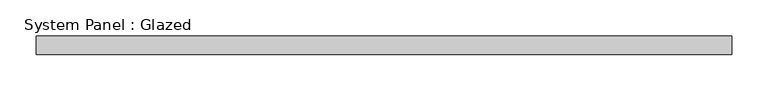
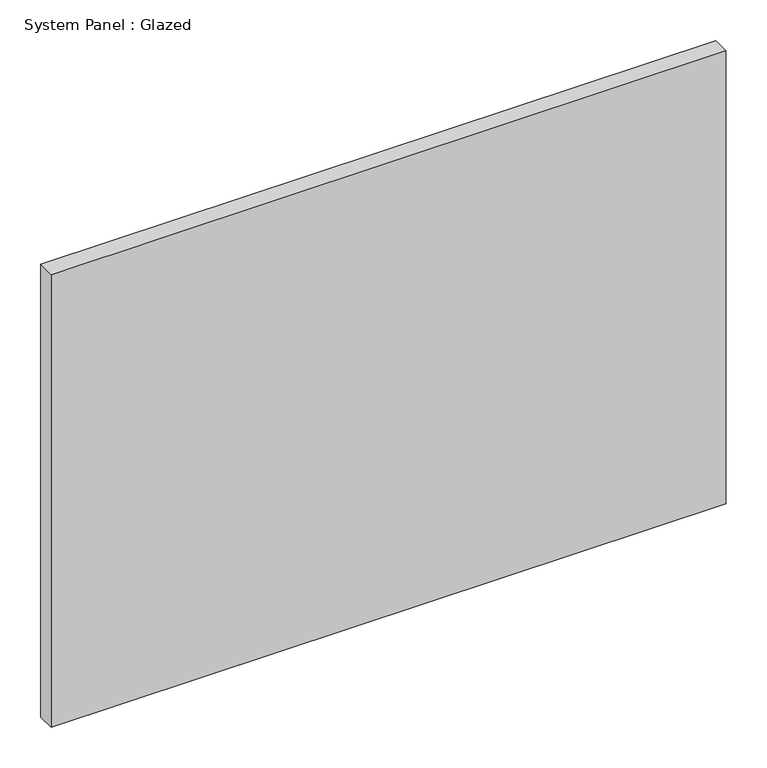
"""IFC4 building model written with IfcOpenShell, lengths in millimetres: plate geometry, System Panel : Glazed."""

from ifc_helpers import new_model, si_unit, origin, origin_with_axes, place, context, project, spatial, polyline, outline, extrude, source, transform, mapped, element, save


def system_panel_glazed_bb674316(model_context):
    return source(origin(), model_context, "Body", "SweptSolid", [
        extrude(outline(polyline([(479.425, -12.7), (-479.425, -12.7), (-479.425, 12.7), (479.425, 12.7), (479.425, -12.7)])), origin_with_axes(), (0.0, 0.0, 1.0), 679.45),
    ])


if __name__ == "__main__":
    model = new_model("IFC4")
    model_context = context("Model", 3, world=origin())
    ifc_project = project(units=[si_unit("LENGTHUNIT", "METRE", prefix="MILLI")], contexts=[model_context])
    site = spatial("IfcSite", under=ifc_project)
    building = spatial("IfcBuilding", under=site)
    placement = place(None, origin())
    system_panel_glazed_shape = system_panel_glazed_bb674316(model_context)
    element("IfcPlate", 1, ObjectType="System Panel : Glazed", at=placement, inside=building, context=model_context, shape_type="MappedRepresentation", body=[
        mapped(system_panel_glazed_shape, transform((0.0, 0.0, 0.0), x_axis=(1.0, 0.0, 0.0), y_axis=(0.0, 1.0, 0.0), z_axis=(0.0, 0.0, 1.0))),
    ])
    save(model, "model.ifc")
